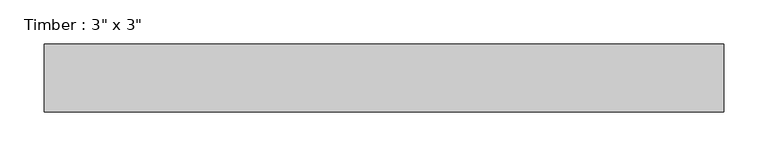
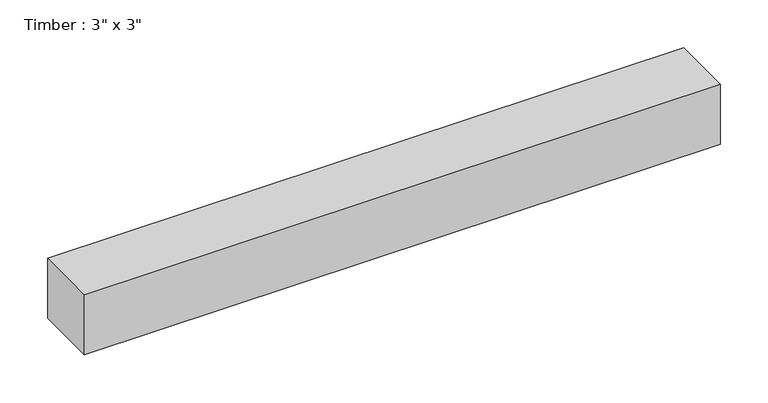
"""IFC4 building model written with IfcOpenShell, lengths in millimetres: beam geometry."""

from ifc_helpers import new_model, si_unit, frame, origin, place, context, project, spatial, polyline, outline, extrude, source, transform, mapped, element, save


def beam_37cbf0d3(model_context):
    return source(origin(), model_context, "Body", "SweptSolid", [
        extrude(outline(polyline([(382.5875, 38.1), (382.5875, -38.1), (-382.5875, -38.1), (-382.5875, 38.1), (382.5875, 38.1)])), frame((0.0, 0.0, -38.1), z_axis=(0.0, 0.0, 1.0), x_axis=(1.0, 0.0, 0.0)), (0.0, 0.0, 1.0), 76.2),
    ])


if __name__ == "__main__":
    model = new_model("IFC4")
    model_context = context("Model", 3, world=origin())
    ifc_project = project(units=[si_unit("LENGTHUNIT", "METRE", prefix="MILLI")], contexts=[model_context])
    site = spatial("IfcSite", under=ifc_project)
    building = spatial("IfcBuilding", under=site)
    placement = place(None, origin())
    beam_shape = beam_37cbf0d3(model_context)
    element("IfcBeam", 1, ObjectType="Timber : 3\" x 3\"", at=placement, inside=building, context=model_context, shape_type="MappedRepresentation", body=[
        mapped(beam_shape, transform((0.0, 0.0, 0.0), x_axis=(1.0, 0.0, 0.0), y_axis=(0.0, 1.0, 0.0), z_axis=(0.0, 0.0, 1.0))),
    ])
    save(model, "model.ifc")
